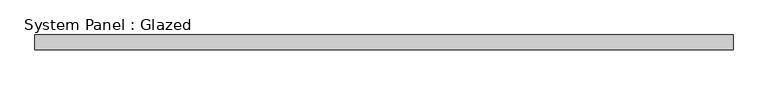
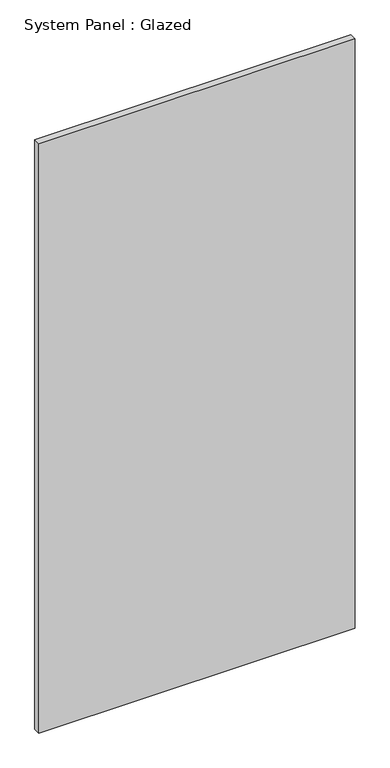
"""IFC4 building model written with IfcOpenShell, lengths in millimetres: plate geometry, System Panel : Glazed."""

from ifc_helpers import new_model, si_unit, origin, origin_with_axes, place, context, project, spatial, polyline, outline, extrude, source, transform, mapped, element, save


def system_panel_glazed_1a4d8203(model_context):
    return source(origin(), model_context, "Body", "SweptSolid", [
        extrude(outline(polyline([(594.51875, -44.45), (-594.51875, -44.45), (-594.51875, -19.05), (594.51875, -19.05), (594.51875, -44.45)])), origin_with_axes(), (0.0, 0.0, 1.0), 2343.15),
    ])


if __name__ == "__main__":
    model = new_model("IFC4")
    model_context = context("Model", 3, world=origin())
    ifc_project = project(units=[si_unit("LENGTHUNIT", "METRE", prefix="MILLI")], contexts=[model_context])
    site = spatial("IfcSite", under=ifc_project)
    building = spatial("IfcBuilding", under=site)
    placement = place(None, origin())
    system_panel_glazed_shape = system_panel_glazed_1a4d8203(model_context)
    element("IfcPlate", 1, ObjectType="System Panel : Glazed", at=placement, inside=building, context=model_context, shape_type="MappedRepresentation", body=[
        mapped(system_panel_glazed_shape, transform((0.0, 0.0, 0.0), x_axis=(1.0, 0.0, 0.0), y_axis=(0.0, 1.0, 0.0), z_axis=(0.0, 0.0, 1.0))),
    ])
    save(model, "model.ifc")
